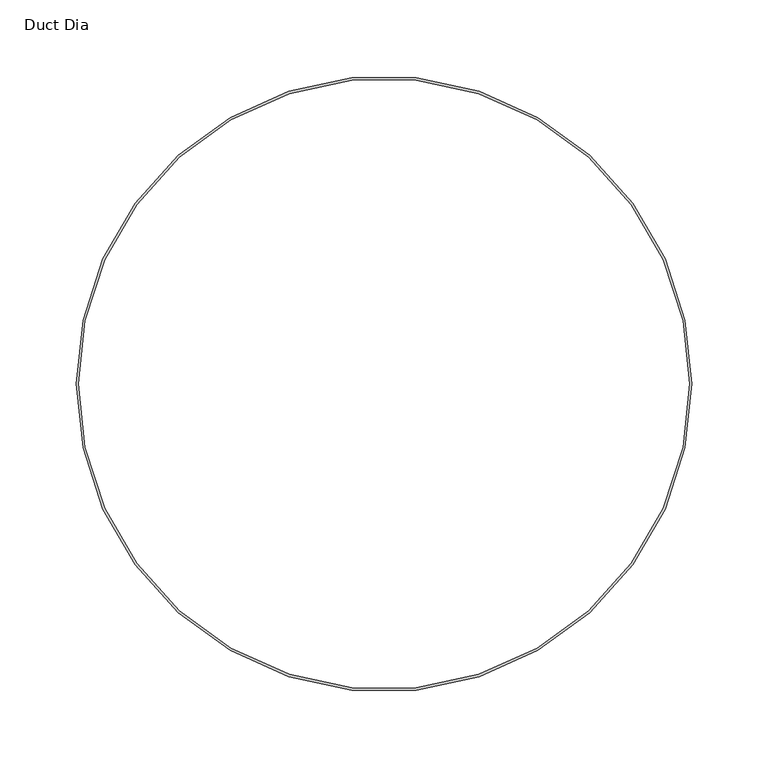
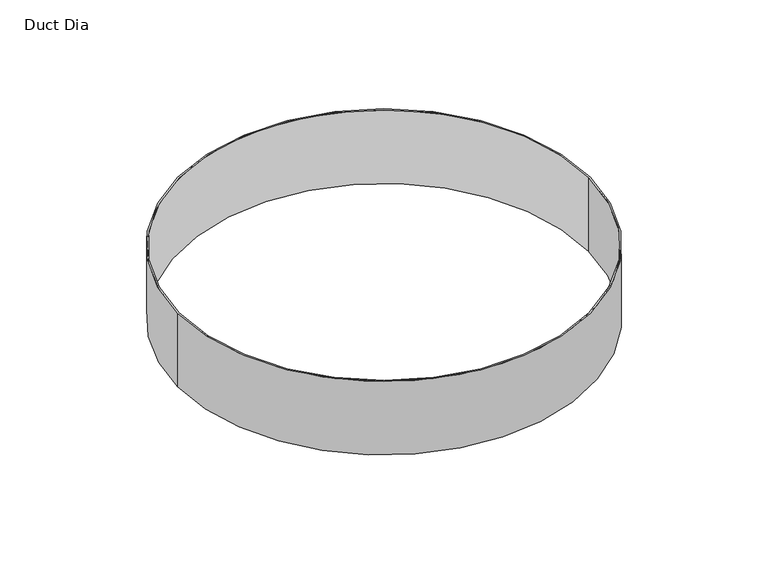
"""IFC4 building model written with IfcOpenShell, lengths in millimetres: proxy geometry, Duct Dia."""

from ifc_helpers import new_model, si_unit, point, origin, origin_with_axes, origin_2d, place, context, project, spatial, circle_curve, trimmed, segment, composite_curve, outline, extrude, source, transform, mapped, element, save


def duct_dia_1c2be358(model_context):
    return source(origin(), model_context, "Body", "SweptSolid", [
        extrude(outline(composite_curve([segment(trimmed(circle_curve(origin_2d(), 201.6621094), [point((-201.6621094, 0.0))], [point((201.6621094, 0.0))], False, "CARTESIAN"), True, "CONTINUOUS"), segment(trimmed(circle_curve(origin_2d(), 201.6621094), [point((201.6621094, 0.0))], [point((-201.6621094, 0.0))], False, "CARTESIAN"), True, "CONTINUOUS")], self_intersect=False), holes=[composite_curve([segment(trimmed(circle_curve(origin_2d(), 200.0746094), [point((-200.0746094, 0.0))], [point((200.0746094, 0.0))], True, "CARTESIAN"), True, "CONTINUOUS"), segment(trimmed(circle_curve(origin_2d(), 200.0746094), [point((200.0746094, 0.0))], [point((-200.0746094, 0.0))], True, "CARTESIAN"), True, "CONTINUOUS")], self_intersect=False)]), origin_with_axes(), (0.0, 0.0, 1.0), 76.2),
    ])


if __name__ == "__main__":
    model = new_model("IFC4")
    model_context = context("Model", 3, world=origin())
    ifc_project = project(units=[si_unit("LENGTHUNIT", "METRE", prefix="MILLI")], contexts=[model_context])
    site = spatial("IfcSite", under=ifc_project)
    building = spatial("IfcBuilding", under=site)
    placement = place(None, origin())
    duct_dia_shape = duct_dia_1c2be358(model_context)
    element("IfcBuildingElementProxy", 1, Name="Duct Dia", ObjectType="Duct Dia", at=placement, inside=building, context=model_context, shape_type="MappedRepresentation", body=[
        mapped(duct_dia_shape, transform((0.0, 0.0, 0.0), x_axis=(1.0, 0.0, 0.0), y_axis=(0.0, 1.0, 0.0), z_axis=(0.0, 0.0, 1.0))),
    ])
    save(model, "model.ifc")
